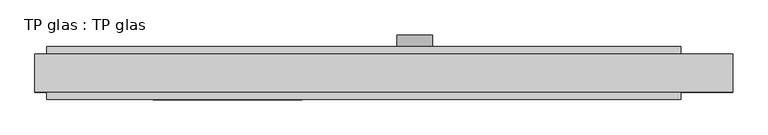
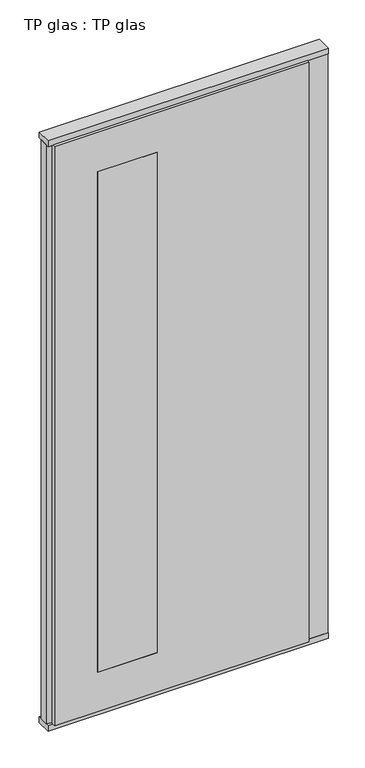
"""IFC4 building model written with IfcOpenShell, lengths in millimetres: plate geometry, TP glas : TP glas."""

from ifc_helpers import new_model, si_unit, point, frame, frame_2d, origin, origin_with_axes, place, context, project, spatial, polyline, circle_curve, trimmed, segment, composite_curve, outline, extrude, faceted_brep, source, transform, mapped, element, save


def tp_glas_tp_glas_be4ed052(model_context):
    return source(origin(), model_context, "Body", "SolidModel", [
        faceted_brep([(-570.0, 22.9993165, 25.0), (-570.0, 22.9993165, 2602.0), (-570.0, 45.0, 2602.0), (-570.0, 45.0, 25.0), (-590.0, 17.6401049, 25.0), (-590.0, 17.6401049, 2602.0), (-590.0, -17.6401049, 25.0), (-590.0, -17.6401049, 2602.0), (-570.0, -22.9993165, 25.0), (-570.0, -22.9993165, 2602.0), (-570.0, -45.0, 25.0), (-570.0, -45.0, 2602.0), (502.0507813, -45.0, 25.0), (502.0507813, 45.0, 25.0), (502.0507813, 30.5, 25.0), (590.0, 30.5, 25.0), (590.0, -30.5, 25.0), (502.0507813, -30.5, 25.0), (502.0507813, -30.5, 2602.0), (502.0507813, -45.0, 2602.0), (590.0, -30.5, 2602.0), (590.0, 30.5, 2602.0), (502.0507813, 30.5, 2602.0), (502.0507813, 45.0, 2602.0), (-390.0, 45.0, 2427.0), (-390.0, 45.0, 200.0), (-137.9492187, 45.0, 200.0), (-137.9492187, 45.0, 2427.0), (-137.9492187, -45.0, 2427.0), (-137.9492187, -45.0, 200.0), (-390.0, -45.0, 200.0), (-390.0, -45.0, 2427.0)], [[[0, 1, 2, 3]], [[4, 5, 1, 0]], [[6, 7, 5, 4]], [[8, 9, 7, 6]], [[10, 11, 9, 8]], [[12, 10, 8, 6, 4, 0, 3, 13, 14, 15, 16, 17]], [[17, 18, 19, 12]], [[16, 20, 18, 17]], [[15, 21, 20, 16]], [[14, 22, 21, 15]], [[13, 23, 22, 14]], [[3, 2, 23, 13], [24, 25, 26, 27]], [[11, 10, 12, 19], [28, 29, 30, 31]], [[23, 2, 1, 5, 7, 9, 11, 19, 18, 20, 21, 22]], [[28, 31, 24, 27]], [[31, 30, 25, 24]], [[30, 29, 26, 25]], [[27, 26, 29, 28]]]),
        extrude(outline(polyline([(-590.0, 32.0), (590.0, 32.0), (590.0, -32.0), (-590.0, -32.0), (-590.0, 32.0)])), origin_with_axes(), (0.0, 0.0, 1.0), 25.0),
        extrude(outline(polyline([(-590.0, 32.0), (590.0, 32.0), (590.0, -32.0), (-590.0, -32.0), (-590.0, 32.0)])), frame((0.0, 0.0, 2602.0), z_axis=(0.0, 0.0, 1.0), x_axis=(1.0, 0.0, 0.0)), (0.0, 0.0, 1.0), 25.0),
        extrude(outline(composite_curve([segment(trimmed(circle_curve(frame_2d((1040.0, 52.0507813)), 30.0), [point((1040.0, 82.0507813))], [point((1040.0, 22.0507812))], False, "CARTESIAN"), True, "CONTINUOUS"), segment(trimmed(circle_curve(frame_2d((1040.0, 52.0507813)), 30.0), [point((1040.0, 22.0507812))], [point((1040.0, 82.0507813))], False, "CARTESIAN"), True, "CONTINUOUS")], self_intersect=False)), frame((0.0, 45.0, 0.0), z_axis=(0.0, 1.0, 0.0), x_axis=(0.0, 0.0, 1.0)), (0.0, 0.0, 1.0), 20.0),
        extrude(outline(polyline([(-137.9492187, 45.0), (-137.9492187, -45.0), (-390.0, -45.0), (-390.0, 45.0), (-137.9492187, 45.0)])), frame((0.0, 0.0, 200.0), z_axis=(0.0, 0.0, 1.0), x_axis=(1.0, 0.0, 0.0)), (0.0, 0.0, 1.0), 2227.0),
    ])


if __name__ == "__main__":
    model = new_model("IFC4")
    model_context = context("Model", 3, world=origin())
    ifc_project = project(units=[si_unit("LENGTHUNIT", "METRE", prefix="MILLI")], contexts=[model_context])
    site = spatial("IfcSite", under=ifc_project)
    building = spatial("IfcBuilding", under=site)
    placement = place(None, origin())
    tp_glas_tp_glas_shape = tp_glas_tp_glas_be4ed052(model_context)
    element("IfcPlate", 1, ObjectType="TP glas : TP glas", at=placement, inside=building, context=model_context, shape_type="MappedRepresentation", body=[
        mapped(tp_glas_tp_glas_shape, transform((0.0, 0.0, 0.0), x_axis=(1.0, 0.0, 0.0), y_axis=(0.0, 1.0, 0.0), z_axis=(0.0, 0.0, 1.0))),
    ])
    save(model, "model.ifc")
